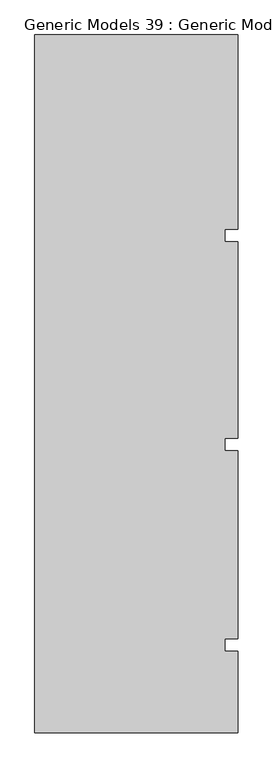
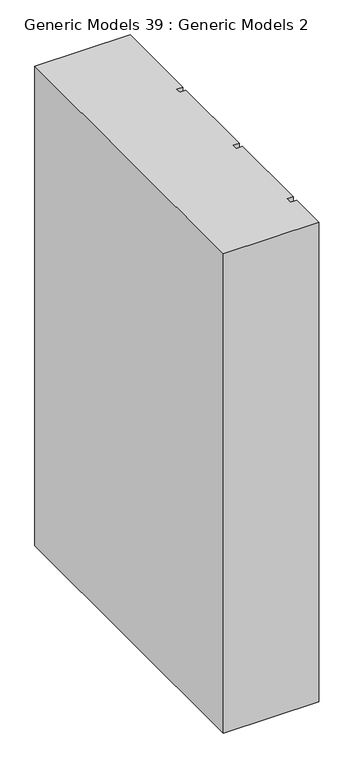
"""IFC4 building model written with IfcOpenShell, lengths in millimetres: proxy geometry, Generic Models 39 : Generic Models 2."""

from ifc_helpers import new_model, si_unit, frame, origin, place, context, project, spatial, polyline, outline, extrude, source, transform, mapped, element, save


def generic_models_39_generic_models_2_91d11791(model_context):
    return source(origin(), model_context, "Body", "SweptSolid", [
        extrude(outline(polyline([(6158.9891931, -239.4418036), (6646.0314083, -239.4418036), (6646.0314083, -703.851216), (6614.3889077, -703.851216), (6614.3889077, -733.8846489), (6646.0314083, -733.8846489), (6646.0314083, -1203.851216), (6614.3889077, -1203.851216), (6614.3889077, -1233.8846489), (6646.0314083, -1233.8846489), (6646.0314083, -1683.851216), (6614.3889077, -1683.851216), (6614.3889077, -1713.8846489), (6646.0314083, -1713.8846489), (6646.0314083, -1909.2712904), (6158.9891931, -1909.2712904), (6158.9891931, -239.4418036)])), frame((0.0, 0.0, 15000.0), z_axis=(0.0, 0.0, 1.0), x_axis=(1.0, 0.0, 0.0)), (0.0, 0.0, 1.0), 2590.9705662),
    ])


if __name__ == "__main__":
    model = new_model("IFC4")
    model_context = context("Model", 3, world=origin())
    ifc_project = project(units=[si_unit("LENGTHUNIT", "METRE", prefix="MILLI")], contexts=[model_context])
    site = spatial("IfcSite", under=ifc_project)
    building = spatial("IfcBuilding", under=site)
    placement = place(None, origin())
    generic_models_39_generic_models_2_shape = generic_models_39_generic_models_2_91d11791(model_context)
    element("IfcBuildingElementProxy", 1, Name="Generic Models 39 : Generic Models 2", ObjectType="Generic Models 39 : Generic Models 2", at=placement, inside=building, context=model_context, shape_type="MappedRepresentation", body=[
        mapped(generic_models_39_generic_models_2_shape, transform((0.0, 0.0, 0.0), x_axis=(1.0, 0.0, 0.0), y_axis=(0.0, 1.0, 0.0), z_axis=(0.0, 0.0, 1.0))),
    ])
    save(model, "model.ifc")
